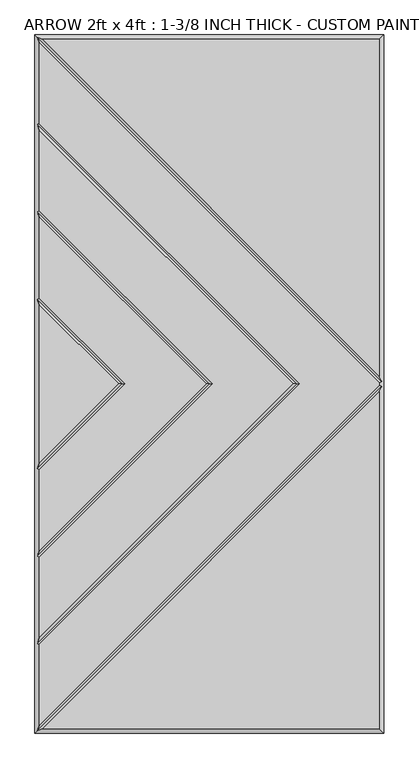
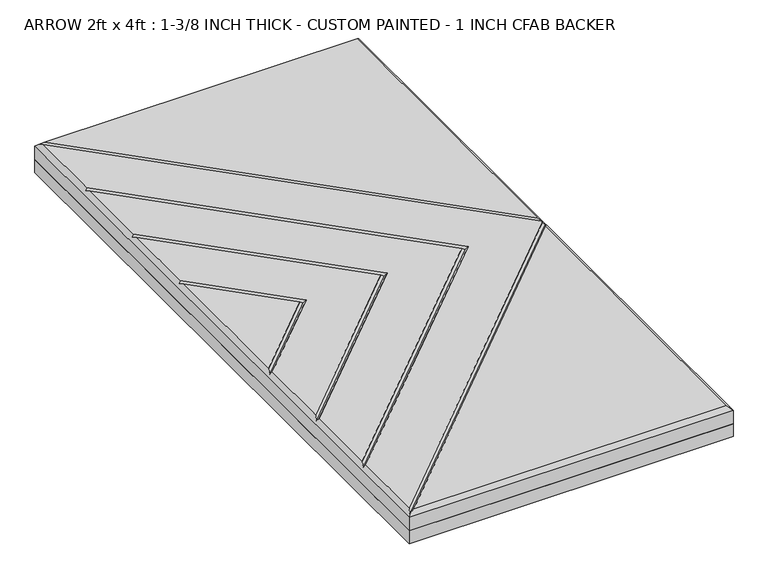
"""IFC4 building model written with IfcOpenShell, lengths in millimetres: proxy geometry, ARROW 2ft x 4ft : 1-3/8 INCH THICK - CUSTOM PAINTED - 1 INCH CFAB BACKER."""

from ifc_helpers import new_model, si_unit, frame, origin, place, context, project, spatial, polyline, outline, extrude, faceted_brep, source, transform, mapped, element, save


def arrow_2ft_x_4ft_1_3_8_inch_thick_custom_painted_1_inch_cfab_a4017d5e(model_context):
    return source(origin(), model_context, "Body", "SolidModel", [
        extrude(outline(polyline([(-304.8, 609.6), (304.8, 609.6), (304.8, -609.6), (-304.8, -609.6), (-304.8, 609.6)])), frame((0.0, 0.0, -25.4), z_axis=(0.0, 0.0, 1.0), x_axis=(1.0, 0.0, 0.0)), (0.0, 0.0, 1.0), 25.4),
        faceted_brep([(296.799, -2.3434386, 34.925), (296.799, 2.3434386, 34.925), (-296.799, 595.9414386, 34.925), (-296.799, 454.8565868, 34.925), (158.0575614, 2.54e-05, 34.925), (-296.799, -454.856536, 34.925), (-296.799, -595.9414386, 34.925), (296.799, 601.599, 34.925), (-291.1414386, 601.599, 34.925), (296.799, 13.6585614, 34.925), (-291.1414386, -601.599, 34.925), (296.799, -601.599, 34.925), (296.799, -13.6585614, 34.925), (146.7424386, 2.54e-05, 34.925), (-296.799, 443.541464, 34.925), (-296.799, 302.4565868, 34.925), (5.6575614, 2.54e-05, 34.925), (-296.799, -302.456536, 34.925), (-296.799, -443.5414132, 34.925), (-5.6575614, 2.54e-05, 34.925), (-296.799, 291.141464, 34.925), (-296.799, 150.0565868, 34.925), (-146.7424386, 2.54e-05, 34.925), (-296.799, -150.056536, 34.925), (-296.799, -291.1414132, 34.925), (-296.799, 138.741464, 34.925), (-296.799, -138.7414132, 34.925), (-158.0575614, 2.54e-05, 34.925), (-304.8, 609.6, 0.0), (304.8, 609.6, 0.0), (304.8, -609.6, 0.0), (-304.8, -609.6, 0.0), (-304.8, -609.6, 26.924), (-304.8, 609.6, 26.924), (304.8, -609.6, 26.924), (304.8, 609.6, 26.924), (-300.7995, 605.5995, 30.9245), (-300.7995, -605.5995, 30.9245), (-300.7995, -453.1994746, 30.9245), (-300.7995, -300.7994746, 30.9245), (-300.7995, -148.3994746, 30.9245), (-300.7995, 148.3995254, 30.9245), (-300.7995, 300.7995254, 30.9245), (-300.7995, 453.1995254, 30.9245), (300.7995, 4.0005, 30.9245), (300.7995, -4.0005, 30.9245), (152.4, 2.54e-05, 30.9245), (0.0, 2.54e-05, 30.9245), (-152.4, 2.54e-05, 30.9245)], [[[0, 1, 2, 3, 4, 5, 6]], [[7, 8, 9]], [[10, 11, 12]], [[13, 14, 15, 16, 17, 18]], [[19, 20, 21, 22, 23, 24]], [[25, 26, 27]], [[28, 29, 30, 31]], [[28, 31, 32, 33]], [[31, 30, 34, 32]], [[30, 29, 35, 34]], [[29, 28, 33, 35]], [[7, 35, 33, 36, 8]], [[33, 32, 37, 6, 5, 38, 18, 17, 39, 24, 23, 40, 26, 25, 41, 21, 20, 42, 15, 14, 43, 3, 2, 36]], [[34, 11, 10, 37, 32]], [[35, 7, 9, 44, 1, 0, 45, 12, 11, 34]], [[36, 44, 9, 8]], [[44, 36, 2, 1]], [[45, 37, 10, 12]], [[37, 45, 0, 6]], [[46, 4, 3, 43]], [[13, 46, 43, 14]], [[4, 46, 38, 5]], [[46, 13, 18, 38]], [[47, 16, 15, 42]], [[19, 47, 42, 20]], [[16, 47, 39, 17]], [[47, 19, 24, 39]], [[48, 22, 21, 41]], [[27, 48, 41, 25]], [[22, 48, 40, 23]], [[48, 27, 26, 40]]]),
    ])


if __name__ == "__main__":
    model = new_model("IFC4")
    model_context = context("Model", 3, world=origin())
    ifc_project = project(units=[si_unit("LENGTHUNIT", "METRE", prefix="MILLI")], contexts=[model_context])
    site = spatial("IfcSite", under=ifc_project)
    building = spatial("IfcBuilding", under=site)
    placement = place(None, origin())
    arrow_2ft_x_4ft_1_3_8_inch_thick_custom_painted_1_inch_cfab_shape = arrow_2ft_x_4ft_1_3_8_inch_thick_custom_painted_1_inch_cfab_a4017d5e(model_context)
    element("IfcBuildingElementProxy", 1, Name="ARROW 2ft x 4ft : 1-3/8 INCH THICK - CUSTOM PAINTED - 1 INCH CFAB BACKER", ObjectType="ARROW 2ft x 4ft : 1-3/8 INCH THICK - CUSTOM PAINTED - 1 INCH CFAB BACKER", at=placement, inside=building, context=model_context, shape_type="MappedRepresentation", body=[
        mapped(arrow_2ft_x_4ft_1_3_8_inch_thick_custom_painted_1_inch_cfab_shape, transform((0.0, 0.0, 0.0), x_axis=(1.0, 0.0, 0.0), y_axis=(0.0, 1.0, 0.0), z_axis=(0.0, 0.0, 1.0))),
    ])
    save(model, "model.ifc")
